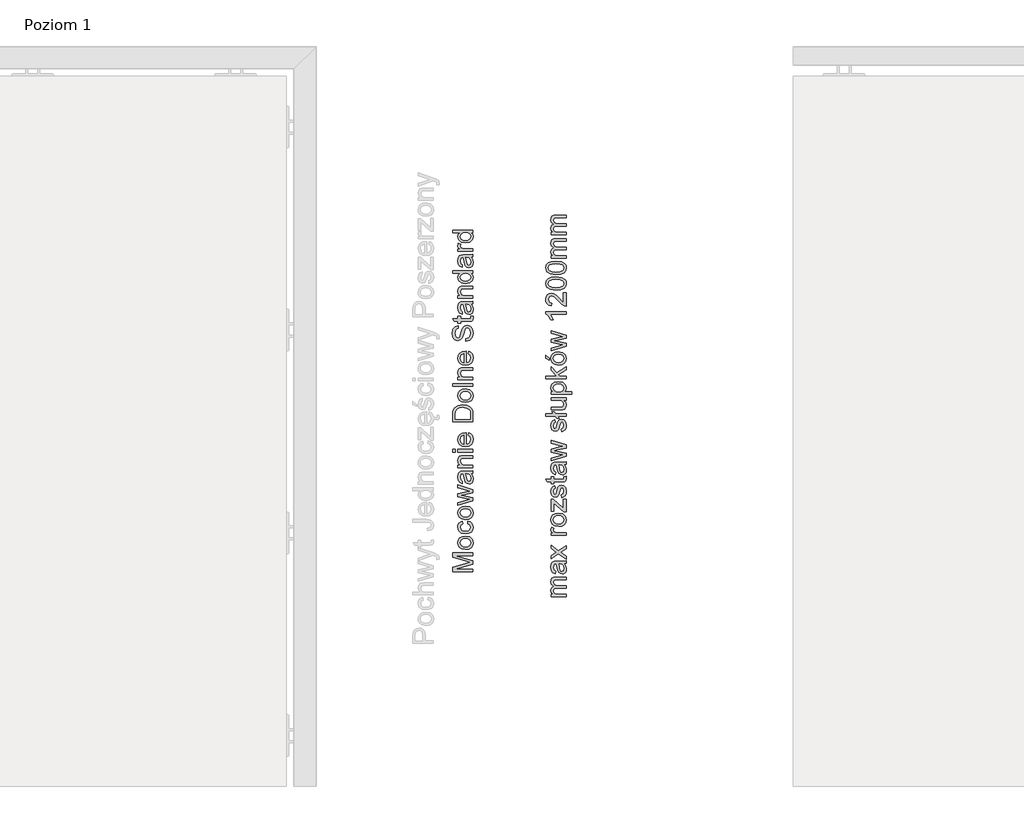
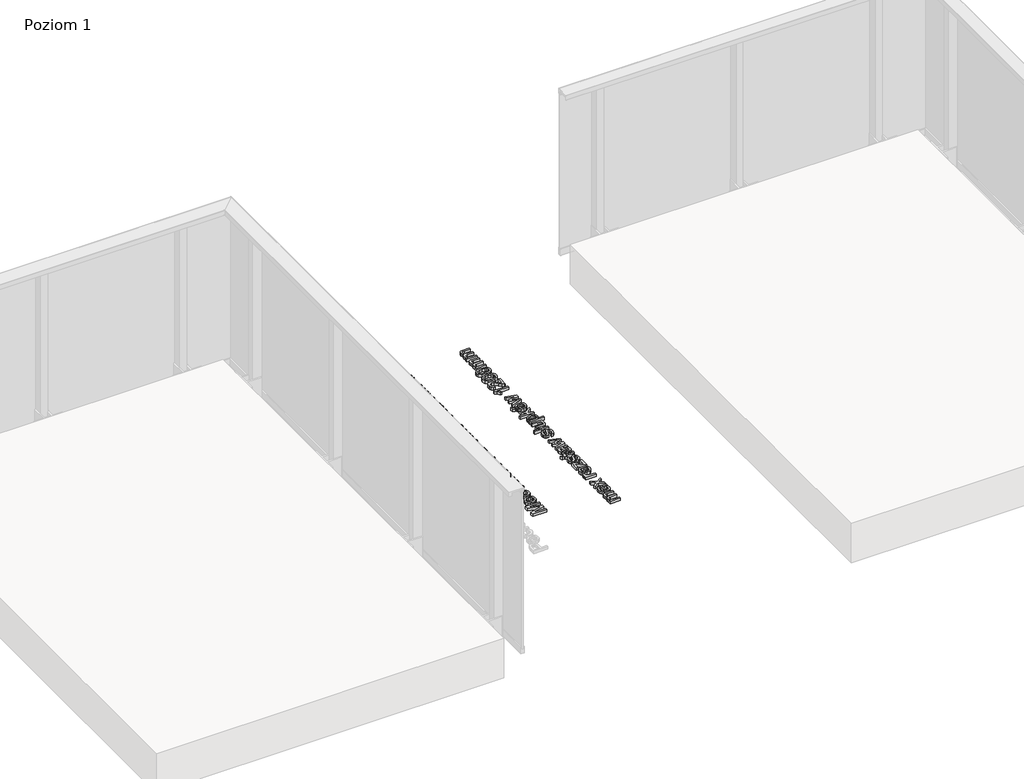
# One storey, part 30 of 35: 2 proxies.
"""IFC4 building model written with IfcOpenShell, lengths in millimetres."""

import ifcopenshell
import ifcopenshell.guid

model = None  # the IFC model being written
_history = None  # IfcOwnerHistory: only IFC2X3 demands one
_inside = {}  # id of a spatial element -> (the spatial element, [elements in it])
_under = {}  # id of a project, library or spatial element -> (it, [spatial elements below it])
_declared = {}  # id of a project -> (the project, [libraries it declares])
_typed = {}  # id of a type object -> (the type object, [elements of that type])
_made_of = {}  # id of a material, layer set ... -> (it, [elements and type objects made of it])


def new_model(schema):
    """Start an empty IFC model of exactly this schema.

    Asked for "IFC4X3", IfcOpenShell would pick the latest addendum, in which some entities
    have other attributes; the version numbers below select the first issue.
    IFC2X3 requires an IfcOwnerHistory on every rooted entity: one is made here for all.
    """
    global model, _history
    if schema == "IFC4X3":
        model = ifcopenshell.file(schema_version=(4, 3, 0, 0))
    else:
        model = ifcopenshell.file(schema=schema)
    _inside.clear()
    _under.clear()
    _declared.clear()
    _typed.clear()
    _made_of.clear()
    _history = None
    if model.schema == "IFC2X3":
        org = make("IfcOrganization", Name="unknown")
        user = make(
            "IfcPersonAndOrganization",
            ThePerson=make("IfcPerson", FamilyName="unknown"),
            TheOrganization=org,
        )
        app = make(
            "IfcApplication",
            ApplicationDeveloper=org,
            Version="unknown",
            ApplicationFullName="unknown",
            ApplicationIdentifier="unknown",
        )
        _history = make(
            "IfcOwnerHistory",
            OwningUser=user,
            OwningApplication=app,
            ChangeAction="ADDED",
            CreationDate=0,
        )
    return model


def make(cls, **values):
    """One entity of the class cls with the attributes given. An attribute that is None is left unset."""
    return model.create_entity(
        cls, **{name: value for name, value in values.items() if value is not None}
    )


def rooted(cls, **values):
    """An entity with a GlobalId (a new one), such as an element, a storey or a relation."""
    return make(cls, GlobalId=ifcopenshell.guid.new(), OwnerHistory=_history, **values)


def si_unit(unit_type, name, prefix=None):
    """IfcSIUnit, for example si_unit("LENGTHUNIT", "METRE", prefix="MILLI")."""
    return make("IfcSIUnit", UnitType=unit_type, Prefix=prefix, Name=name)


def assignment(units):
    """IfcUnitAssignment: the units of a project."""
    return None if units is None else make("IfcUnitAssignment", Units=units)


def point(xyz):
    """IfcCartesianPoint."""
    return None if xyz is None else make("IfcCartesianPoint", Coordinates=xyz)


def direction(xyz):
    """IfcDirection."""
    return None if xyz is None else make("IfcDirection", DirectionRatios=xyz)


def frame(location, z_axis=None, x_axis=None):
    """IfcAxis2Placement3D, a coordinate frame: its origin and axes. An axis left out is left unset."""
    return make(
        "IfcAxis2Placement3D",
        Location=point(location),
        Axis=direction(z_axis),
        RefDirection=direction(x_axis),
    )


def origin():
    """The frame at (0, 0, 0) with its axes left unset."""
    return frame((0.0, 0.0, 0.0))


def origin_with_axes():
    """The frame at (0, 0, 0) with the z axis (0, 0, 1) and the x axis (1, 0, 0) written out."""
    return frame((0.0, 0.0, 0.0), z_axis=(0.0, 0.0, 1.0), x_axis=(1.0, 0.0, 0.0))


def place(relative_to, where):
    """IfcLocalPlacement: puts the frame where relative to a parent placement (None: the world)."""
    return make(
        "IfcLocalPlacement", PlacementRelTo=relative_to, RelativePlacement=where
    )


def context(
    kind, dimensions, precision=None, world=None, true_north=None, identifier=None
):
    """IfcGeometricRepresentationContext, for example the 3D "Model" context."""
    return make(
        "IfcGeometricRepresentationContext",
        ContextIdentifier=identifier,
        ContextType=kind,
        CoordinateSpaceDimension=dimensions,
        Precision=precision,
        WorldCoordinateSystem=world,
        TrueNorth=true_north,
    )


def project(units=None, contexts=None):
    """IfcProject with its units and contexts."""
    return rooted(
        "IfcProject",
        Name="project",
        RepresentationContexts=contexts,
        UnitsInContext=assignment(units),
    )


def spatial(cls, under=None, at=None, **own):
    """A site, building, storey or space (cls), placed at a placement, below another one or the project."""
    s = rooted(cls, ObjectPlacement=at, **own)
    if under is not None:
        _under.setdefault(under.id(), (under, []))[1].append(s)
    return s


def polyline(points):
    """IfcPolyline through the points."""
    return make("IfcPolyline", Points=[point(p) for p in points])


def outline(outer, holes=None, kind="AREA"):
    """IfcArbitraryClosedProfileDef: a profile drawn as a closed curve; with holes, ...WithVoids."""
    if holes is None:
        return make("IfcArbitraryClosedProfileDef", ProfileType=kind, OuterCurve=outer)
    return make(
        "IfcArbitraryProfileDefWithVoids",
        ProfileType=kind,
        OuterCurve=outer,
        InnerCurves=holes,
    )


def extrude(swept, where, along, depth):
    """IfcExtrudedAreaSolid: the profile swept, set in the frame where, extruded along a direction by depth."""
    return make(
        "IfcExtrudedAreaSolid",
        SweptArea=swept,
        Position=where,
        ExtrudedDirection=direction(along),
        Depth=depth,
    )


def shape(context_of_items, identifier, shape_type, items):
    """IfcShapeRepresentation: the items that make up one representation, for example the "Body"."""
    return make(
        "IfcShapeRepresentation",
        ContextOfItems=context_of_items,
        RepresentationIdentifier=identifier,
        RepresentationType=shape_type,
        Items=items,
    )


def made_of(thing, what):
    """Note that an element or type object is made of a material, layer set ...; save() writes the relation."""
    if what is not None:
        _made_of.setdefault(what.id(), (what, []))[1].append(thing)
    return thing


def element(
    cls,
    number,
    at=None,
    inside=None,
    cuts=None,
    type_object=None,
    material=None,
    context=None,
    identifier="Body",
    shape_type=None,
    held_by="IfcProductDefinitionShape",
    body=None,
    shapes=None,
    **own,
):
    """One element of the class cls, such as IfcWall. Its Tag is "e" and its number.

    at: its placement. inside: the storey or other place that contains it. cuts: it is an
    opening in that element (IfcRelVoidsElement). A single representation is given by context,
    identifier, shape_type and body (its items); several are given by shapes. held_by: the class
    of the entity that holds the representations. save() writes the other relations.
    """
    e = rooted(cls, Tag="e%d" % number, ObjectPlacement=at, **own)
    if body is not None:
        shapes = [shape(context, identifier, shape_type, body)]
    if shapes is not None:
        e.Representation = make(held_by, Representations=shapes)
    if inside is not None:
        _inside.setdefault(inside.id(), (inside, []))[1].append(e)
    if cuts is not None:
        rooted(
            "IfcRelVoidsElement", RelatingBuildingElement=cuts, RelatedOpeningElement=e
        )
    if type_object is not None:
        _typed.setdefault(type_object.id(), (type_object, []))[1].append(e)
    return made_of(e, material)


def aggregate(whole, parts):
    """IfcRelAggregates: a whole, such as a stair, and the parts it consists of."""
    return rooted("IfcRelAggregates", RelatingObject=whole, RelatedObjects=parts)


def save(model, path):
    """Write the relations noted so far, then the file.

    IfcRelAggregates (storeys below a building ...), IfcRelContainedInSpatialStructure (elements
    in a storey), IfcRelDefinesByType, IfcRelAssociatesMaterial and IfcRelDeclares: one each for
    every whole, place, type object, material and project.
    """
    for whole, parts in _under.values():
        aggregate(whole, parts)
    for where, things in _inside.values():
        rooted(
            "IfcRelContainedInSpatialStructure",
            RelatedElements=things,
            RelatingStructure=where,
        )
    for kind, things in _typed.values():
        rooted("IfcRelDefinesByType", RelatedObjects=things, RelatingType=kind)
    for what, things in _made_of.values():
        rooted("IfcRelAssociatesMaterial", RelatedObjects=things, RelatingMaterial=what)
    for by, libraries in _declared.values():
        rooted("IfcRelDeclares", RelatingContext=by, RelatedDefinitions=libraries)
    model.write(path)


model = new_model("IFC4")

# Units and contexts
model_context = context("Model", 3, world=origin())
ifc_project = project(units=[si_unit("LENGTHUNIT", "METRE", prefix="MILLI")], contexts=[model_context])

# Site, building, storey
site = spatial("IfcSite", under=ifc_project)
building = spatial("IfcBuilding", under=site)
storey = spatial("IfcBuildingStorey", under=building, Name="Poziom 1", Elevation=0.0)

# Proxies
placement = place(None, origin())
element("IfcBuildingElementProxy", 1, Name="Generic Models", at=placement, inside=storey, context=model_context, shape_type="SweptSolid", body=[
    extrude(outline(polyline([(5311.0111089, 1428.6091584), (5210.5547987, 1428.6091584), (5210.5547987, 1450.2160943), (5281.3598201, 1470.7684351), (5296.1486763, 1474.9132389), (5280.1335468, 1479.4013992), (5210.5547987, 1499.6103835), (5210.5547987, 1521.2173194), (5311.0111089, 1521.2173194), (5311.0111089, 1508.6602806), (5223.1118375, 1508.6602806), (5311.0111089, 1483.4235757), (5311.0111089, 1466.4029021), (5223.1118375, 1441.1661972), (5311.0111089, 1441.1661972), (5311.0111089, 1428.6091584)])), origin_with_axes(), (0.0, 0.0, 1.0), 20.0),
    extrude(outline(polyline([(5274.1248075, 1538.4832477), (5256.337713, 1541.1994431), (5243.8358566, 1549.3480293), (5237.7106214, 1559.4157332), (5235.6688763, 1571.4699999), (5238.1551454, 1584.6616351), (5245.6139529, 1595.1983886), (5257.4566874, 1602.1053731), (5273.0947379, 1604.4077012), (5295.4374378, 1600.3364738), (5308.0803157, 1588.4784108), (5312.5807387, 1571.4699999), (5310.1036666, 1558.1189492), (5302.6724503, 1547.5944584), (5290.5813954, 1540.7610504), (5274.1248075, 1538.4832477)]), holes=[polyline([(5274.100282, 1551.0402864), (5285.46477, 1552.4934203), (5293.5612396, 1556.852822), (5298.4080849, 1563.4133842), (5300.0237, 1571.4699999), (5298.3988878, 1579.4898274), (5293.5244514, 1586.0381269), (5285.3206829, 1590.3975286), (5273.7078746, 1591.8506624), (5262.6744804, 1590.3883315), (5254.6883754, 1586.0013387), (5249.8415301, 1579.4438422), (5248.225915, 1571.4699999), (5249.8353988, 1563.4133842), (5254.66385, 1556.852822), (5262.7419254, 1552.4934203), (5274.100282, 1551.0402864)])]), origin_with_axes(), (0.0, 0.0, 1.0), 20.0),
    extrude(outline(polyline([(5284.3274015, 1665.6232652), (5285.8970314, 1678.180304), (5297.0653156, 1674.6792937), (5305.5051417, 1668.1003373), (5310.8118395, 1659.062703), (5312.5807387, 1648.1856586), (5310.1128637, 1634.8284765), (5302.7092385, 1624.3836935), (5290.6948257, 1617.642256), (5274.3945876, 1615.3951101), (5253.5356785, 1619.2333456), (5240.1325112, 1630.9319931), (5235.6688763, 1648.0139804), (5237.2017179, 1658.6243102), (5241.8002429, 1667.1070559), (5249.2191964, 1673.1924373), (5259.213324, 1676.6106741), (5260.7829538, 1664.0536354), (5251.3774375, 1658.2288371), (5248.225915, 1648.1120822), (5249.7771508, 1639.9972186), (5254.430858, 1633.556218), (5262.4384228, 1629.3531662), (5274.0512311, 1627.9521489), (5285.8203893, 1629.3225093), (5293.8555452, 1633.4335906), (5298.4816613, 1639.7580953), (5300.0237, 1647.7687257), (5296.1732018, 1659.6022632), (5284.3274015, 1665.6232652)])), origin_with_axes(), (0.0, 0.0, 1.0), 20.0),
    extrude(outline(polyline([(5274.1248075, 1686.0284532), (5256.337713, 1688.7446486), (5243.8358566, 1696.8932348), (5237.7106214, 1706.9609387), (5235.6688763, 1719.0152054), (5238.1551454, 1732.2068406), (5245.6139529, 1742.7435941), (5257.4566874, 1749.6505786), (5273.0947379, 1751.9529067), (5295.4374378, 1747.8816793), (5308.0803157, 1736.0236163), (5312.5807387, 1719.0152054), (5310.1036666, 1705.6641547), (5302.6724503, 1695.139664), (5290.5813954, 1688.3062559), (5274.1248075, 1686.0284532)]), holes=[polyline([(5274.100282, 1698.585492), (5285.46477, 1700.0386259), (5293.5612396, 1704.3980275), (5298.4080849, 1710.9585897), (5300.0237, 1719.0152054), (5298.3988878, 1727.0350329), (5293.5244514, 1733.5833324), (5285.3206829, 1737.9427341), (5273.7078746, 1739.395868), (5262.6744804, 1737.933537), (5254.6883754, 1733.5465442), (5249.8415301, 1726.9890477), (5248.225915, 1719.0152054), (5249.8353988, 1710.9585897), (5254.66385, 1704.3980275), (5262.7419254, 1700.0386259), (5274.100282, 1698.585492)])]), origin_with_axes(), (0.0, 0.0, 1.0), 20.0),
    extrude(outline(polyline([(5311.0111089, 1778.3177831), (5237.2385061, 1755.8769814), (5237.2385061, 1768.9245295), (5280.2806996, 1781.6532465), (5295.658167, 1785.4546938), (5280.8447853, 1788.569428), (5237.2385061, 1798.6984456), (5237.2385061, 1813.6589801), (5280.722158, 1823.7389467), (5294.137588, 1826.5103244), (5279.986394, 1830.48345), (5237.2385061, 1843.2366925), (5237.2385061, 1856.3332915), (5311.0111089, 1833.7208115), (5311.0111089, 1818.5395479), (5267.7481863, 1808.9010396), (5254.2591798, 1806.1051364), (5311.0111089, 1793.670725), (5311.0111089, 1778.3177831)])), origin_with_axes(), (0.0, 0.0, 1.0), 20.0),
    extrude(outline(polyline([(5301.5933298, 1912.055151), (5310.1036666, 1899.878257), (5312.5807387, 1886.4260387), (5311.0908167, 1875.9322048), (5306.6210504, 1868.1913545), (5299.8336276, 1863.4180856), (5291.3907358, 1861.826996), (5281.4579219, 1864.2304917), (5274.2474348, 1870.5457993), (5270.1271565, 1879.3381789), (5268.2386956, 1890.2029605), (5263.9222135, 1911.9815746), (5261.1263103, 1912.055151), (5251.8556841, 1908.5970603), (5248.225915, 1894.7156463), (5250.6416735, 1882.0114548), (5259.213324, 1875.9536646), (5257.6436941, 1863.3966258), (5245.380961, 1868.8290166), (5238.1949993, 1879.7673746), (5235.6688763, 1896.3343271), (5237.9006937, 1911.552379), (5243.5047628, 1920.1485549), (5252.0273623, 1923.9990532), (5263.0147713, 1924.6121898), (5278.6374933, 1924.6121898), (5300.4528956, 1925.2498519), (5311.0111089, 1927.7514495), (5311.0111089, 1915.1944107), (5301.5933298, 1912.055151)]), holes=[polyline([(5276.4792523, 1912.055151), (5280.3297505, 1891.7971158), (5282.3653642, 1880.9936479), (5285.6763022, 1876.1008174), (5290.507819, 1874.3840347), (5297.3013732, 1878.1241684), (5300.0237, 1889.0993145), (5297.0193303, 1901.8035061), (5289.7475296, 1909.9950119), (5280.0354449, 1911.9815746), (5276.4792523, 1912.055151)])]), origin_with_axes(), (0.0, 0.0, 1.0), 20.0),
    extrude(outline(polyline([(5311.0111089, 1941.8781181), (5237.2385061, 1941.8781181), (5237.2385061, 1954.4351569), (5247.539202, 1954.4351569), (5238.6364577, 1964.036877), (5235.6688763, 1977.1457387), (5238.0601092, 1989.0038017), (5244.3386286, 1997.0972056), (5253.5724667, 2000.8618647), (5265.7125726, 2001.5240523), (5311.0111089, 2001.5240523), (5311.0111089, 1988.9670135), (5267.4048297, 1988.9670135), (5256.2947935, 1987.520011), (5250.4209443, 1982.4064513), (5248.225915, 1973.7857498), (5253.1555338, 1960.1618533), (5260.2985759, 1955.866831), (5271.8684646, 1954.4351569), (5311.0111089, 1954.4351569), (5311.0111089, 1941.8781181)])), origin_with_axes(), (0.0, 0.0, 1.0), 20.0),
    extrude(outline(polyline([(5223.1118375, 2018.7899806), (5210.5547987, 2018.7899806), (5210.5547987, 2031.3470193), (5223.1118375, 2031.3470193), (5223.1118375, 2018.7899806)])), origin_with_axes(), (0.0, 0.0, 1.0), 20.0),
    extrude(outline(polyline([(5311.0111089, 2018.7899806), (5237.2385061, 2018.7899806), (5237.2385061, 2031.3470193), (5311.0111089, 2031.3470193), (5311.0111089, 2018.7899806)])), origin_with_axes(), (0.0, 0.0, 1.0), 20.0),
    extrude(outline(polyline([(5289.036291, 2101.8332096), (5290.6059209, 2114.1449937), (5299.8826785, 2109.70895), (5306.8172541, 2102.6302873), (5311.1398676, 2093.0684211), (5312.5807387, 2081.182767), (5310.0944696, 2066.4490931), (5302.6356621, 2055.1121962), (5290.6886943, 2047.883315), (5274.7379442, 2045.473688), (5258.2506994, 2047.9078405), (5245.9205212, 2055.2102981), (5238.2317875, 2066.3939108), (5235.6688763, 2080.4715284), (5238.2256561, 2094.1107534), (5245.8959957, 2105.0092575), (5258.2016485, 2112.1553653), (5274.6643678, 2114.5374012), (5278.0488821, 2114.4638248), (5278.0488821, 2058.0307267), (5287.4482671, 2060.2042962), (5294.3583172, 2065.2534766), (5298.6073543, 2072.5406058), (5300.0237, 2081.4280216), (5297.3994751, 2093.7398057), (5289.036291, 2101.8332096)]), holes=[polyline([(5265.4918434, 2058.0307267), (5265.4918434, 2101.9803624), (5254.112027, 2096.9526418), (5249.697443, 2089.6317901), (5248.225915, 2080.4224775), (5252.9225419, 2064.959171), (5258.4131806, 2060.0939316), (5265.4918434, 2058.0307267)])]), origin_with_axes(), (0.0, 0.0, 1.0), 20.0),
    extrude(outline(polyline([(5311.0111089, 2167.904816), (5210.5547987, 2167.904816), (5210.5547987, 2202.5592999), (5212.0018013, 2220.4874158), (5219.1877629, 2235.2517465), (5236.3555893, 2247.1465977), (5260.2433936, 2251.0951978), (5280.5136915, 2248.421922), (5295.1431322, 2241.5547914), (5304.2543429, 2232.382267), (5309.2943262, 2220.3770512), (5311.0111089, 2204.2270316), (5311.0111089, 2167.904816)]), holes=[polyline([(5298.4540701, 2180.4618547), (5298.4540701, 2202.6819272), (5296.6391856, 2218.8442096), (5291.5133631, 2228.1638868), (5279.0421635, 2235.8035695), (5260.0471898, 2238.538159), (5246.3619796, 2237.1984554), (5236.2574875, 2233.1793446), (5225.1229257, 2220.1440593), (5223.1118375, 2202.3385707), (5223.1118375, 2180.4618547), (5298.4540701, 2180.4618547)])]), origin_with_axes(), (0.0, 0.0, 1.0), 20.0),
    extrude(outline(polyline([(5274.1248075, 2263.6522366), (5256.337713, 2266.368432), (5243.8358566, 2274.5170182), (5237.7106214, 2284.5847221), (5235.6688763, 2296.6389888), (5238.1551454, 2309.830624), (5245.6139529, 2320.3673775), (5257.4566874, 2327.2743619), (5273.0947379, 2329.5766901), (5295.4374378, 2325.5054627), (5308.0803157, 2313.6473997), (5312.5807387, 2296.6389888), (5310.1036666, 2283.2879381), (5302.6724503, 2272.7634473), (5290.5813954, 2265.9300393), (5274.1248075, 2263.6522366)]), holes=[polyline([(5274.100282, 2276.2092753), (5285.46477, 2277.6624092), (5293.5612396, 2282.0218109), (5298.4080849, 2288.5823731), (5300.0237, 2296.6389888), (5298.3988878, 2304.6588163), (5293.5244514, 2311.2071158), (5285.3206829, 2315.5665175), (5273.7078746, 2317.0196513), (5262.6744804, 2315.5573204), (5254.6883754, 2311.1703276), (5249.8415301, 2304.612831), (5248.225915, 2296.6389888), (5249.8353988, 2288.5823731), (5254.66385, 2282.0218109), (5262.7419254, 2277.6624092), (5274.100282, 2276.2092753)])]), origin_with_axes(), (0.0, 0.0, 1.0), 20.0),
    extrude(outline(polyline([(5311.0111089, 2343.7033587), (5210.5547987, 2343.7033587), (5210.5547987, 2356.2603975), (5311.0111089, 2356.2603975), (5311.0111089, 2343.7033587)])), origin_with_axes(), (0.0, 0.0, 1.0), 20.0),
    extrude(outline(polyline([(5311.0111089, 2375.0959556), (5237.2385061, 2375.0959556), (5237.2385061, 2387.6529944), (5247.539202, 2387.6529944), (5238.6364577, 2397.2547145), (5235.6688763, 2410.3635762), (5238.0601092, 2422.2216392), (5244.3386286, 2430.3150431), (5253.5724667, 2434.0797022), (5265.7125726, 2434.7418898), (5311.0111089, 2434.7418898), (5311.0111089, 2422.184851), (5267.4048297, 2422.184851), (5256.2947935, 2420.7378485), (5250.4209443, 2415.6242888), (5248.225915, 2407.0035874), (5253.1555338, 2393.3796908), (5260.2985759, 2389.0846685), (5271.8684646, 2387.6529944), (5311.0111089, 2387.6529944), (5311.0111089, 2375.0959556)])), origin_with_axes(), (0.0, 0.0, 1.0), 20.0),
    extrude(outline(polyline([(5289.036291, 2503.6584502), (5290.6059209, 2515.9702343), (5299.8826785, 2511.5341906), (5306.8172541, 2504.4555279), (5311.1398676, 2494.8936617), (5312.5807387, 2483.0080076), (5310.0944696, 2468.2743336), (5302.6356621, 2456.9374368), (5290.6886943, 2449.7085556), (5274.7379442, 2447.2989286), (5258.2506994, 2449.7330811), (5245.9205212, 2457.0355387), (5238.2317875, 2468.2191513), (5235.6688763, 2482.296769), (5238.2256561, 2495.935994), (5245.8959957, 2506.8344981), (5258.2016485, 2513.9806059), (5274.6643678, 2516.3626418), (5278.0488821, 2516.2890654), (5278.0488821, 2459.8559673), (5287.4482671, 2462.0295368), (5294.3583172, 2467.0787172), (5298.6073543, 2474.3658464), (5300.0237, 2483.2532622), (5297.3994751, 2495.5650463), (5289.036291, 2503.6584502)]), holes=[polyline([(5265.4918434, 2459.8559673), (5265.4918434, 2503.805603), (5254.112027, 2498.7778824), (5249.697443, 2491.4570307), (5248.225915, 2482.2477181), (5252.9225419, 2466.7844116), (5258.4131806, 2461.9191722), (5265.4918434, 2459.8559673)])]), origin_with_axes(), (0.0, 0.0, 1.0), 20.0),
    extrude(outline(polyline([(5276.4792523, 2565.021167), (5276.4792523, 2577.5782058), (5289.0485538, 2581.6249077), (5296.9948049, 2591.5086707), (5300.0237, 2606.567307), (5297.7305689, 2619.6884315), (5291.427524, 2628.1619801), (5283.0030263, 2630.9456205), (5275.1671398, 2628.8609559), (5269.4649689, 2620.3260936), (5264.6702402, 2602.0423585), (5258.47756, 2582.3606717), (5249.1333573, 2571.6798311), (5236.6498949, 2568.1604267), (5222.4373872, 2572.513697), (5212.4064714, 2585.2301513), (5208.9851689, 2603.8449802), (5212.565887, 2623.710608), (5223.087312, 2636.9543598), (5238.808136, 2641.9330295), (5238.808136, 2629.3759907), (5231.315606, 2627.0705969), (5225.9077407, 2622.2636055), (5221.5422077, 2604.3354896), (5225.8586897, 2586.3583227), (5236.2820129, 2580.7174655), (5244.9885535, 2584.7151165), (5252.0028369, 2605.2184064), (5258.3058817, 2627.4384789), (5268.4839502, 2639.5908474), (5282.6841953, 2643.5026593), (5297.7060434, 2639.0022362), (5308.6689269, 2626.05279), (5312.5807387, 2607.0578163), (5308.3623585, 2584.6292774), (5295.658167, 2570.4412951), (5276.4792523, 2565.021167)])), origin_with_axes(), (0.0, 0.0, 1.0), 20.0),
    extrude(outline(polyline([(5300.5387348, 2687.452295), (5311.3789909, 2689.0219249), (5312.5807387, 2679.6286712), (5310.4960741, 2669.1072462), (5305.0268951, 2663.8587964), (5290.7775992, 2662.3382175), (5249.7955449, 2662.3382175), (5249.7955449, 2652.9204384), (5237.2385061, 2652.9204384), (5237.2385061, 2662.3382175), (5219.3103902, 2662.3382175), (5211.9282249, 2674.8952562), (5237.2385061, 2674.8952562), (5237.2385061, 2687.452295), (5249.7955449, 2687.452295), (5249.7955449, 2674.8952562), (5290.4097172, 2674.8952562), (5296.8844403, 2675.5574438), (5299.1775714, 2677.7034221), (5300.0237, 2681.983116), (5300.5387348, 2687.452295)])), origin_with_axes(), (0.0, 0.0, 1.0), 20.0),
    extrude(outline(polyline([(5301.5933298, 2747.0982292), (5310.1036666, 2734.9213351), (5312.5807387, 2721.4691168), (5311.0908167, 2710.9752829), (5306.6210504, 2703.2344326), (5299.8336276, 2698.4611637), (5291.3907358, 2696.8700741), (5281.4579219, 2699.2735698), (5274.2474348, 2705.5888774), (5270.1271565, 2714.3812571), (5268.2386956, 2725.2460386), (5263.9222135, 2747.0246528), (5261.1263103, 2747.0982292), (5251.8556841, 2743.6401384), (5248.225915, 2729.7587245), (5250.6416735, 2717.0545329), (5259.213324, 2710.9967427), (5257.6436941, 2698.4397039), (5245.380961, 2703.8720947), (5238.1949993, 2714.8104527), (5235.6688763, 2731.3774052), (5237.9006937, 2746.5954571), (5243.5047628, 2755.1916331), (5252.0273623, 2759.0421313), (5263.0147713, 2759.6552679), (5278.6374933, 2759.6552679), (5300.4528956, 2760.2929301), (5311.0111089, 2762.7945276), (5311.0111089, 2750.2374889), (5301.5933298, 2747.0982292)]), holes=[polyline([(5276.4792523, 2747.0982292), (5280.3297505, 2726.840194), (5282.3653642, 2716.036726), (5285.6763022, 2711.1438955), (5290.507819, 2709.4271129), (5297.3013732, 2713.1672465), (5300.0237, 2724.1423927), (5297.0193303, 2736.8465842), (5289.7475296, 2745.03809), (5280.0354449, 2747.0246528), (5276.4792523, 2747.0982292)])]), origin_with_axes(), (0.0, 0.0, 1.0), 20.0),
    extrude(outline(polyline([(5311.0111089, 2776.9211962), (5237.2385061, 2776.9211962), (5237.2385061, 2789.478235), (5247.539202, 2789.478235), (5238.6364577, 2799.0799551), (5235.6688763, 2812.1888168), (5238.0601092, 2824.0468798), (5244.3386286, 2832.1402837), (5253.5724667, 2835.9049428), (5265.7125726, 2836.5671304), (5311.0111089, 2836.5671304), (5311.0111089, 2824.0100916), (5267.4048297, 2824.0100916), (5256.2947935, 2822.5630891), (5250.4209443, 2817.4495294), (5248.225915, 2808.828828), (5253.1555338, 2795.2049314), (5260.2985759, 2790.9099091), (5271.8684646, 2789.478235), (5311.0111089, 2789.478235), (5311.0111089, 2776.9211962)])), origin_with_axes(), (0.0, 0.0, 1.0), 20.0),
    extrude(outline(polyline([(5311.0111089, 2899.3523242), (5299.1653086, 2899.3523242), (5309.2268812, 2891.0443225), (5312.5807387, 2879.5602729), (5307.7246964, 2864.0111272), (5294.1743762, 2853.0237183), (5274.1983839, 2849.1241692), (5254.2101288, 2852.71715), (5240.4513422, 2863.4838297), (5235.6688763, 2879.511222), (5239.0901788, 2891.0872421), (5247.9806604, 2899.3523242), (5210.5547987, 2899.3523242), (5210.5547987, 2911.909363), (5311.0111089, 2911.909363), (5311.0111089, 2899.3523242)]), holes=[polyline([(5274.149333, 2861.6812079), (5285.5076896, 2863.0975536), (5293.5857651, 2867.3465906), (5298.4142162, 2873.5208768), (5300.0237, 2880.7129698), (5298.4877926, 2887.9019971), (5293.8800706, 2893.9199334), (5286.1146949, 2897.9942265), (5275.1058262, 2899.3523242), (5263.0699536, 2897.9697011), (5254.7251636, 2893.8218316), (5249.8507272, 2887.6506111), (5248.225915, 2880.197935), (5249.7863478, 2872.9322656), (5254.4676462, 2866.9787087), (5262.5089335, 2863.0055831), (5274.149333, 2861.6812079)])]), origin_with_axes(), (0.0, 0.0, 1.0), 20.0),
    extrude(outline(polyline([(5301.5933298, 2977.8338165), (5310.1036666, 2965.6569225), (5312.5807387, 2952.2047042), (5311.0908167, 2941.7108703), (5306.6210504, 2933.97002), (5299.8336276, 2929.1967511), (5291.3907358, 2927.6056615), (5281.4579219, 2930.0091572), (5274.2474348, 2936.3244647), (5270.1271565, 2945.1168444), (5268.2386956, 2955.981626), (5263.9222135, 2977.7602401), (5261.1263103, 2977.8338165), (5251.8556841, 2974.3757258), (5248.225915, 2960.4943118), (5250.6416735, 2947.7901203), (5259.213324, 2941.7323301), (5257.6436941, 2929.1752913), (5245.380961, 2934.6076821), (5238.1949993, 2945.5460401), (5235.6688763, 2962.1129926), (5237.9006937, 2977.3310445), (5243.5047628, 2985.9272204), (5252.0273623, 2989.7777186), (5263.0147713, 2990.3908553), (5278.6374933, 2990.3908553), (5300.4528956, 2991.0285174), (5311.0111089, 2993.530115), (5311.0111089, 2980.9730762), (5301.5933298, 2977.8338165)]), holes=[polyline([(5276.4792523, 2977.8338165), (5280.3297505, 2957.5757813), (5282.3653642, 2946.7723134), (5285.6763022, 2941.8794829), (5290.507819, 2940.1627002), (5297.3013732, 2943.9028338), (5300.0237, 2954.87798), (5297.0193303, 2967.5821716), (5289.7475296, 2975.7736774), (5280.0354449, 2977.7602401), (5276.4792523, 2977.8338165)])]), origin_with_axes(), (0.0, 0.0, 1.0), 20.0),
    extrude(outline(polyline([(5311.0111089, 3007.6567836), (5237.2385061, 3007.6567836), (5237.2385061, 3018.6441925), (5248.1523386, 3018.6441925), (5238.0968974, 3026.4432908), (5235.6688763, 3034.2914401), (5239.5439, 3046.8975298), (5250.801089, 3042.703675), (5248.225915, 3033.8745071), (5250.7029871, 3026.7743846), (5257.5701177, 3022.2494361), (5272.2363466, 3020.2138224), (5311.0111089, 3020.2138224), (5311.0111089, 3007.6567836)])), origin_with_axes(), (0.0, 0.0, 1.0), 20.0),
    extrude(outline(polyline([(5311.0111089, 3100.2649445), (5299.1653086, 3100.2649445), (5309.2268812, 3091.9569428), (5312.5807387, 3080.4728932), (5307.7246964, 3064.9237475), (5294.1743762, 3053.9363386), (5274.1983839, 3050.0367895), (5254.2101288, 3053.6297703), (5240.4513422, 3064.39645), (5235.6688763, 3080.4238423), (5239.0901788, 3091.9998624), (5247.9806604, 3100.2649445), (5210.5547987, 3100.2649445), (5210.5547987, 3112.8219833), (5311.0111089, 3112.8219833), (5311.0111089, 3100.2649445)]), holes=[polyline([(5274.149333, 3062.5938282), (5285.5076896, 3064.0101739), (5293.5857651, 3068.2592109), (5298.4142162, 3074.4334971), (5300.0237, 3081.6255901), (5298.4877926, 3088.8146174), (5293.8800706, 3094.8325537), (5286.1146949, 3098.9068468), (5275.1058262, 3100.2649445), (5263.0699536, 3098.8823214), (5254.7251636, 3094.7344519), (5249.8507272, 3088.5632314), (5248.225915, 3081.1105553), (5249.7863478, 3073.8448859), (5254.4676462, 3067.891329), (5262.5089335, 3063.9182034), (5274.149333, 3062.5938282)])]), origin_with_axes(), (0.0, 0.0, 1.0), 20.0),
])
element("IfcBuildingElementProxy", 2, Name="Generic Models", at=placement, inside=storey, context=model_context, shape_type="SweptSolid", body=[
    extrude(outline(polyline([(5769.7173752, 1304.9023417), (5695.9447724, 1304.9023417), (5695.9447724, 1317.4593804), (5708.0848783, 1317.4593804), (5698.1398017, 1326.0923446), (5694.3751426, 1338.3796032), (5698.2133781, 1350.9611675), (5708.9677951, 1357.877349), (5698.0233057, 1367.6752728), (5694.3751426, 1380.0483706), (5695.8926558, 1389.4876094), (5700.4451955, 1396.4681703), (5708.155389, 1400.7815867), (5719.1458636, 1402.2193921), (5769.7173752, 1402.2193921), (5769.7173752, 1389.6623534), (5724.5414662, 1389.6623534), (5714.0568293, 1388.4973937), (5708.8942187, 1384.2790135), (5706.9321813, 1377.1053146), (5711.959902, 1364.7567423), (5718.5020701, 1361.0687253), (5728.0731333, 1359.8393863), (5769.7173752, 1359.8393863), (5769.7173752, 1347.2823475), (5723.1435146, 1347.2823475), (5710.9788833, 1344.3760798), (5706.9321813, 1334.8479361), (5709.6299826, 1325.5527843), (5717.5271828, 1319.3723668), (5732.5122427, 1317.4593804), (5769.7173752, 1317.4593804), (5769.7173752, 1304.9023417)])), origin_with_axes(), (0.0, 0.0, 1.0), 20.0),
    extrude(outline(polyline([(5760.2995961, 1468.1438457), (5768.8099329, 1455.9669516), (5771.287005, 1442.5147333), (5769.797083, 1432.0208994), (5765.3273167, 1424.2800491), (5758.5398939, 1419.5067802), (5750.0970021, 1417.9156906), (5740.1641882, 1420.3191863), (5732.9537011, 1426.6344939), (5728.8334228, 1435.4268736), (5726.9449619, 1446.2916552), (5722.6284798, 1468.0702693), (5719.8325766, 1468.1438457), (5710.5619504, 1464.6857549), (5706.9321813, 1450.804341), (5709.3479398, 1438.1001494), (5717.9195903, 1432.0423592), (5716.3499604, 1419.4853204), (5704.0872273, 1424.9177112), (5696.9012656, 1435.8560692), (5694.3751426, 1452.4230217), (5696.60696, 1467.6410736), (5702.2110291, 1476.2372496), (5710.7336286, 1480.0877478), (5721.7210376, 1480.7008844), (5737.3437596, 1480.7008844), (5759.1591619, 1481.3385466), (5769.7173752, 1483.8401441), (5769.7173752, 1471.2831054), (5760.2995961, 1468.1438457)]), holes=[polyline([(5735.1855186, 1468.1438457), (5739.0360168, 1447.8858105), (5741.0716305, 1437.0823425), (5744.3825685, 1432.189512), (5749.2140853, 1430.4727294), (5756.0076395, 1434.212863), (5758.7299663, 1445.1880092), (5755.7255966, 1457.8922007), (5748.4537959, 1466.0837065), (5738.7417112, 1468.0702693), (5735.1855186, 1468.1438457)])]), origin_with_axes(), (0.0, 0.0, 1.0), 20.0),
    extrude(outline(polyline([(5769.7173752, 1490.1186635), (5732.6348701, 1516.9495237), (5695.9447724, 1491.6882934), (5695.9447724, 1506.7959806), (5713.6031082, 1518.9851374), (5721.9417668, 1524.6750456), (5715.1236871, 1529.6046643), (5695.9447724, 1543.4860783), (5695.9447724, 1558.5937656), (5732.6348701, 1532.057211), (5769.7173752, 1557.6127469), (5769.7173752, 1542.5050596), (5747.4237263, 1527.1275922), (5743.3524989, 1524.3071636), (5769.7173752, 1505.2263508), (5769.7173752, 1490.1186635)])), origin_with_axes(), (0.0, 0.0, 1.0), 20.0),
    extrude(outline(polyline([(5769.7173752, 1607.840902), (5695.9447724, 1607.840902), (5695.9447724, 1618.8283109), (5706.858605, 1618.8283109), (5696.8031637, 1626.6274092), (5694.3751426, 1634.4755584), (5698.2501663, 1647.0816481), (5709.5073553, 1642.8877934), (5706.9321813, 1634.0586255), (5709.4092535, 1626.958503), (5716.276384, 1622.4335544), (5730.9426129, 1620.3979407), (5769.7173752, 1620.3979407), (5769.7173752, 1607.840902)])), origin_with_axes(), (0.0, 0.0, 1.0), 20.0),
    extrude(outline(polyline([(5732.8310738, 1651.7905377), (5715.0439793, 1654.5067331), (5702.5421229, 1662.6553193), (5696.4168877, 1672.7230232), (5694.3751426, 1684.7772899), (5696.8614117, 1697.9689251), (5704.3202192, 1708.5056786), (5716.1629537, 1715.412663), (5731.8010042, 1717.7149912), (5754.1437041, 1713.6437638), (5766.786582, 1701.7857008), (5771.287005, 1684.7772899), (5768.8099329, 1671.4262392), (5761.3787166, 1660.9017484), (5749.2876617, 1654.0683404), (5732.8310738, 1651.7905377)]), holes=[polyline([(5732.8065483, 1664.3475764), (5744.1710363, 1665.8007103), (5752.2675059, 1670.160112), (5757.1143512, 1676.7206742), (5758.7299663, 1684.7772899), (5757.1051541, 1692.7971174), (5752.2307177, 1699.3454169), (5744.0269492, 1703.7048185), (5732.4141409, 1705.1579524), (5721.3807467, 1703.6956215), (5713.3946417, 1699.3086287), (5708.5477964, 1692.7511321), (5706.9321813, 1684.7772899), (5708.5416651, 1676.7206742), (5713.3701163, 1670.160112), (5721.4481917, 1665.8007103), (5732.8065483, 1664.3475764)])]), origin_with_axes(), (0.0, 0.0, 1.0), 20.0),
    extrude(outline(polyline([(5769.7173752, 1723.9935106), (5757.8961004, 1723.9935106), (5708.5018112, 1767.3300096), (5708.5018112, 1754.5031907), (5708.5018112, 1727.1327703), (5695.9447724, 1727.1327703), (5695.9447724, 1785.2090746), (5706.6133503, 1785.2090746), (5750.4403586, 1746.7776688), (5757.1603364, 1740.8915569), (5757.1603364, 1755.410633), (5757.1603364, 1786.7787044), (5769.7173752, 1786.7787044), (5769.7173752, 1723.9935106)])), origin_with_axes(), (0.0, 0.0, 1.0), 20.0),
    extrude(outline(polyline([(5747.7425573, 1794.6268537), (5746.1729275, 1807.1838924), (5755.4926047, 1812.996428), (5758.7299663, 1826.3137562), (5755.7623848, 1839.1160496), (5748.7971524, 1843.2853789), (5743.1562951, 1839.0915241), (5739.5755771, 1826.1666034), (5733.4319477, 1807.2574688), (5726.2582488, 1799.0046494), (5716.1292312, 1796.1964835), (5706.7727658, 1798.4528264), (5699.6235924, 1804.6087185), (5695.9079842, 1812.5917578), (5694.3751426, 1823.3952257), (5696.8399519, 1838.6745912), (5703.5108788, 1848.3866759), (5714.7803306, 1852.703158), (5716.3499604, 1840.1461192), (5709.4215162, 1835.4249669), (5706.9321813, 1824.3762443), (5709.3111516, 1812.3587658), (5714.853907, 1808.7535223), (5718.5082015, 1810.2495757), (5721.2795792, 1814.9339398), (5723.952855, 1825.7496704), (5729.8634924, 1844.1805584), (5736.5589447, 1852.7399462), (5747.4727772, 1855.8424177), (5759.4902557, 1852.2003859), (5768.209059, 1841.6912236), (5771.287005, 1826.1420779), (5769.8032143, 1813.4808059), (5765.3518422, 1804.2408365), (5757.9819395, 1798.0726817), (5747.7425573, 1794.6268537)])), origin_with_axes(), (0.0, 0.0, 1.0), 20.0),
    extrude(outline(polyline([(5759.2450011, 1896.6527937), (5770.0852572, 1898.2224235), (5771.287005, 1888.8291699), (5769.2023404, 1878.3077448), (5763.7331614, 1873.059295), (5749.4838655, 1871.5387161), (5708.5018112, 1871.5387161), (5708.5018112, 1862.120937), (5695.9447724, 1862.120937), (5695.9447724, 1871.5387161), (5678.0166565, 1871.5387161), (5670.6344912, 1884.0957549), (5695.9447724, 1884.0957549), (5695.9447724, 1896.6527937), (5708.5018112, 1896.6527937), (5708.5018112, 1884.0957549), (5749.1159835, 1884.0957549), (5755.5907066, 1884.7579425), (5757.8838377, 1886.9039208), (5758.7299663, 1891.1836147), (5759.2450011, 1896.6527937)])), origin_with_axes(), (0.0, 0.0, 1.0), 20.0),
    extrude(outline(polyline([(5760.2995961, 1956.2987278), (5768.8099329, 1944.1218338), (5771.287005, 1930.6696155), (5769.797083, 1920.1757816), (5765.3273167, 1912.4349312), (5758.5398939, 1907.6616624), (5750.0970021, 1906.0705727), (5740.1641882, 1908.4740684), (5732.9537011, 1914.789376), (5728.8334228, 1923.5817557), (5726.9449619, 1934.4465373), (5722.6284798, 1956.2251514), (5719.8325766, 1956.2987278), (5710.5619504, 1952.8406371), (5706.9321813, 1938.9592231), (5709.3479398, 1926.2550315), (5717.9195903, 1920.1972413), (5716.3499604, 1907.6402026), (5704.0872273, 1913.0725934), (5696.9012656, 1924.0109514), (5694.3751426, 1940.5779039), (5696.60696, 1955.7959557), (5702.2110291, 1964.3921317), (5710.7336286, 1968.2426299), (5721.7210376, 1968.8557666), (5737.3437596, 1968.8557666), (5759.1591619, 1969.4934287), (5769.7173752, 1971.9950263), (5769.7173752, 1959.4379875), (5760.2995961, 1956.2987278)]), holes=[polyline([(5735.1855186, 1956.2987278), (5739.0360168, 1936.0406926), (5741.0716305, 1925.2372247), (5744.3825685, 1920.3443941), (5749.2140853, 1918.6276115), (5756.0076395, 1922.3677451), (5758.7299663, 1933.3428913), (5755.7255966, 1946.0470829), (5748.4537959, 1954.2385886), (5738.7417112, 1956.2251514), (5735.1855186, 1956.2987278)])]), origin_with_axes(), (0.0, 0.0, 1.0), 20.0),
    extrude(outline(polyline([(5769.7173752, 1998.3599026), (5695.9447724, 1975.9191009), (5695.9447724, 1988.966649), (5738.9869659, 2001.695366), (5754.3644333, 2005.4968133), (5739.5510516, 2008.6115475), (5695.9447724, 2018.7405651), (5695.9447724, 2033.7010996), (5739.4284243, 2043.7810663), (5752.8438543, 2046.552444), (5738.6926603, 2050.5255695), (5695.9447724, 2063.278812), (5695.9447724, 2076.375411), (5769.7173752, 2053.7629311), (5769.7173752, 2038.5816674), (5726.4544526, 2028.9431591), (5712.9654461, 2026.147256), (5769.7173752, 2013.7128445), (5769.7173752, 1998.3599026)])), origin_with_axes(), (0.0, 0.0, 1.0), 20.0),
    extrude(outline(polyline([(5747.7425573, 2119.5402318), (5746.1729275, 2132.0972706), (5755.4926047, 2137.9098061), (5758.7299663, 2151.2271343), (5755.7623848, 2164.0294277), (5748.7971524, 2168.198757), (5743.1562951, 2164.0049023), (5739.5755771, 2151.0799815), (5733.4319477, 2132.170847), (5726.2582488, 2123.9180275), (5716.1292312, 2121.1098616), (5706.7727658, 2123.3662045), (5699.6235924, 2129.5220966), (5695.9079842, 2137.5051359), (5694.3751426, 2148.3086038), (5696.8399519, 2163.5879694), (5703.5108788, 2173.300054), (5714.7803306, 2177.6165361), (5716.3499604, 2165.0594973), (5709.4215162, 2160.3383451), (5706.9321813, 2149.2896225), (5709.3111516, 2137.272144), (5714.853907, 2133.6669004), (5718.5082015, 2135.1629539), (5721.2795792, 2139.8473179), (5723.952855, 2150.6630486), (5729.8634924, 2169.0939365), (5736.5589447, 2177.6533243), (5747.4727772, 2180.7557958), (5759.4902557, 2177.113764), (5768.209059, 2166.6046017), (5771.287005, 2151.0554561), (5769.8032143, 2138.3941841), (5765.3518422, 2129.1542146), (5757.9819395, 2122.9860598), (5747.7425573, 2119.5402318)])), origin_with_axes(), (0.0, 0.0, 1.0), 20.0),
    extrude(outline(polyline([(5730.0106452, 2194.8824644), (5737.5399633, 2185.4646853), (5723.4132947, 2185.4646853), (5715.8839766, 2194.8824644), (5669.261065, 2194.8824644), (5669.261065, 2207.4395032), (5705.8285354, 2207.4395032), (5698.2992172, 2216.8572823), (5712.4258858, 2216.8572823), (5719.955204, 2207.4395032), (5769.7173752, 2207.4395032), (5769.7173752, 2194.8824644), (5730.0106452, 2194.8824644)])), origin_with_axes(), (0.0, 0.0, 1.0), 20.0),
    extrude(outline(polyline([(5769.7173752, 2273.3639567), (5757.0377091, 2273.3639567), (5767.7246811, 2263.5292447), (5771.287005, 2250.7024258), (5768.7854075, 2238.8934138), (5762.5068881, 2230.7509589), (5753.2607873, 2227.0108253), (5741.5866653, 2226.2750613), (5695.9447724, 2226.2750613), (5695.9447724, 2238.8321001), (5735.6760279, 2238.8321001), (5748.4783213, 2239.5923896), (5755.9953768, 2244.5587965), (5758.7299663, 2253.9152619), (5755.9340631, 2264.3998988), (5748.3189058, 2271.328343), (5734.3271273, 2273.3639567), (5695.9447724, 2273.3639567), (5695.9447724, 2285.9209955), (5769.7173752, 2285.9209955), (5769.7173752, 2273.3639567)])), origin_with_axes(), (0.0, 0.0, 1.0), 20.0),
    extrude(outline(polyline([(5797.9707124, 2303.1869238), (5695.9447724, 2303.1869238), (5695.9447724, 2315.7439626), (5708.2565565, 2315.7439626), (5697.8454961, 2324.4259776), (5694.3751426, 2336.1491506), (5699.2311849, 2352.0661782), (5712.9163951, 2362.4649759), (5732.2669881, 2365.9721176), (5752.6108624, 2362.0112548), (5766.4677509, 2350.5088111), (5771.287005, 2334.6285716), (5768.0619062, 2323.7024764), (5759.9071887, 2315.7439626), (5797.9707124, 2315.7439626), (5797.9707124, 2303.1869238)]), holes=[polyline([(5733.419685, 2315.7439626), (5744.6768741, 2317.1020603), (5752.5495488, 2321.1763534), (5757.1848619, 2327.1881583), (5758.7299663, 2334.3587915), (5757.1296796, 2341.6459207), (5752.3288196, 2347.8110098), (5744.1679706, 2352.0140616), (5732.4877173, 2353.4150789), (5721.2918419, 2352.0477841), (5713.3088026, 2347.9458999), (5708.5263367, 2341.943292), (5706.9321813, 2334.8738263), (5708.6275042, 2327.7767695), (5713.7134728, 2321.5442353), (5722.0306716, 2317.1940308), (5733.419685, 2315.7439626)])]), origin_with_axes(), (0.0, 0.0, 1.0), 20.0),
    extrude(outline(polyline([(5769.7173752, 2380.0987862), (5669.261065, 2380.0987862), (5669.261065, 2392.655825), (5723.2416165, 2392.655825), (5695.9447724, 2420.8110604), (5695.9447724, 2438.1750906), (5723.584973, 2409.6764987), (5769.7173752, 2439.7447204), (5769.7173752, 2425.0784915), (5732.316039, 2400.6756525), (5740.0906118, 2392.655825), (5769.7173752, 2392.655825), (5769.7173752, 2380.0987862)])), origin_with_axes(), (0.0, 0.0, 1.0), 20.0),
    extrude(outline(polyline([(5732.8310738, 2447.5928696), (5715.0439793, 2450.309065), (5702.5421229, 2458.4576512), (5696.4168877, 2468.5253552), (5694.3751426, 2480.5796219), (5696.8614117, 2493.7712571), (5704.3202192, 2504.3080106), (5716.1629537, 2511.214995), (5731.8010042, 2513.5173232), (5754.1437041, 2509.4460958), (5766.786582, 2497.5880328), (5771.287005, 2480.5796219), (5768.8099329, 2467.2285711), (5761.3787166, 2456.7040804), (5749.2876617, 2449.8706723), (5732.8310738, 2447.5928696)]), holes=[polyline([(5732.8065483, 2460.1499084), (5744.1710363, 2461.6030423), (5752.2675059, 2465.9624439), (5757.1143512, 2472.5230062), (5758.7299663, 2480.5796219), (5757.1051541, 2488.5994494), (5752.2307177, 2495.1477489), (5744.0269492, 2499.5071505), (5732.4141409, 2500.9602844), (5721.3807467, 2499.4979535), (5713.3946417, 2495.1109607), (5708.5477964, 2488.5534641), (5706.9321813, 2480.5796219), (5708.5416651, 2472.5230062), (5713.3701163, 2465.9624439), (5721.4481917, 2461.6030423), (5732.8065483, 2460.1499084)])]), origin_with_axes(), (0.0, 0.0, 1.0), 20.0),
    extrude(outline(polyline([(5688.0966232, 2471.1373173), (5669.261065, 2480.5550964), (5669.261065, 2496.2513949), (5688.0966232, 2480.5550964), (5688.0966232, 2471.1373173)])), origin_with_axes(), (0.0, 0.0, 1.0), 20.0),
    extrude(outline(polyline([(5769.7173752, 2539.8821995), (5695.9447724, 2517.4413978), (5695.9447724, 2530.4889459), (5738.9869659, 2543.2176629), (5754.3644333, 2547.0191102), (5739.5510516, 2550.1338444), (5695.9447724, 2560.262862), (5695.9447724, 2575.2233965), (5739.4284243, 2585.3033632), (5752.8438543, 2588.0747409), (5738.6926603, 2592.0478664), (5695.9447724, 2604.8011089), (5695.9447724, 2617.8977079), (5769.7173752, 2595.285228), (5769.7173752, 2580.1039643), (5726.4544526, 2570.465456), (5712.9654461, 2567.6695529), (5769.7173752, 2555.2351414), (5769.7173752, 2539.8821995)])), origin_with_axes(), (0.0, 0.0, 1.0), 20.0),
    extrude(outline(polyline([(5769.7173752, 2709.7210539), (5769.7173752, 2697.1640152), (5691.4320866, 2697.1640152), (5699.9056352, 2685.269164), (5706.2454683, 2672.0499376), (5694.3751426, 2672.0499376), (5682.6274442, 2690.4563001), (5669.261065, 2701.62765), (5669.261065, 2709.7210539), (5769.7173752, 2709.7210539)])), origin_with_axes(), (0.0, 0.0, 1.0), 20.0),
    extrude(outline(polyline([(5757.1603364, 2803.8988447), (5769.7173752, 2803.8988447), (5769.7173752, 2737.9743912), (5761.0598856, 2739.3232918), (5747.7302946, 2746.9507118), (5733.1744303, 2762.6715358), (5712.2542075, 2784.352048), (5698.0294371, 2789.7721761), (5686.5147306, 2784.6586163), (5681.8181038, 2771.3044999), (5686.404366, 2757.3862978), (5699.0840321, 2752.1010598), (5697.5144023, 2739.544021), (5685.3681651, 2742.5882445), (5676.4960776, 2749.1702665), (5671.0698182, 2758.9467306), (5669.261065, 2771.57428), (5671.2721533, 2784.2938), (5677.305418, 2794.05187), (5686.3185269, 2800.2598786), (5697.2691476, 2802.3292148), (5709.1762615, 2800.0973974), (5721.4880456, 2792.6784438), (5738.6926603, 2774.6890143), (5750.7714524, 2760.2435146), (5757.1603364, 2754.5781319), (5757.1603364, 2803.8988447)])), origin_with_axes(), (0.0, 0.0, 1.0), 20.0),
    extrude(outline(polyline([(5720.2985605, 2816.4558835), (5691.3952984, 2820.1469661), (5674.730244, 2831.1098496), (5669.261065, 2849.4181102), (5672.4984266, 2864.0843391), (5681.8303665, 2874.2133567), (5696.6927992, 2880.0994686), (5720.2985605, 2882.380337), (5749.0791953, 2878.7260425), (5765.7810378, 2867.7999473), (5769.9105132, 2859.5685876), (5771.287005, 2849.4181102), (5768.8957721, 2836.3705621), (5761.7220732, 2826.4622737), (5744.7320564, 2818.957481), (5720.2985605, 2816.4558835)]), holes=[polyline([(5720.274035, 2829.0129222), (5740.0262325, 2830.4844502), (5751.4581655, 2834.8990342), (5756.9120161, 2841.4718591), (5758.7299663, 2849.4181102), (5756.9058847, 2857.3643613), (5751.43364, 2863.9371863), (5739.9955757, 2868.3517702), (5720.274035, 2869.8232982), (5700.9663617, 2868.4008212), (5689.4455238, 2864.13339), (5683.7249588, 2857.5728278), (5681.8181038, 2849.2709574), (5683.4980983, 2841.4105455), (5688.5380816, 2835.0952379), (5700.7762893, 2830.5335011), (5720.274035, 2829.0129222)])]), origin_with_axes(), (0.0, 0.0, 1.0), 20.0),
    extrude(outline(polyline([(5720.2985605, 2893.3677459), (5691.3952984, 2897.0588286), (5674.730244, 2908.0217121), (5669.261065, 2926.3299727), (5672.4984266, 2940.9962016), (5681.8303665, 2951.1252192), (5696.6927992, 2957.0113311), (5720.2985605, 2959.2921995), (5749.0791953, 2955.637905), (5765.7810378, 2944.7118097), (5769.9105132, 2936.4804501), (5771.287005, 2926.3299727), (5768.8957721, 2913.2824246), (5761.7220732, 2903.3741362), (5744.7320564, 2895.8693435), (5720.2985605, 2893.3677459)]), holes=[polyline([(5720.274035, 2905.9247847), (5740.0262325, 2907.3963127), (5751.4581655, 2911.8108966), (5756.9120161, 2918.3837216), (5758.7299663, 2926.3299727), (5756.9058847, 2934.2762238), (5751.43364, 2940.8490488), (5739.9955757, 2945.2636327), (5720.274035, 2946.7351607), (5700.9663617, 2945.3126836), (5689.4455238, 2941.0452525), (5683.7249588, 2934.4846902), (5681.8181038, 2926.1828199), (5683.4980983, 2918.3224079), (5688.5380816, 2912.0071003), (5700.7762893, 2907.4453636), (5720.274035, 2905.9247847)])]), origin_with_axes(), (0.0, 0.0, 1.0), 20.0),
    extrude(outline(polyline([(5769.7173752, 2973.4188681), (5695.9447724, 2973.4188681), (5695.9447724, 2985.9759068), (5708.0848783, 2985.9759068), (5698.1398017, 2994.608871), (5694.3751426, 3006.8961296), (5698.2133781, 3019.4776939), (5708.9677951, 3026.3938754), (5698.0233057, 3036.1917992), (5694.3751426, 3048.564897), (5695.8926558, 3058.0041358), (5700.4451955, 3064.9846967), (5708.155389, 3069.2981131), (5719.1458636, 3070.7359185), (5769.7173752, 3070.7359185), (5769.7173752, 3058.1788798), (5724.5414662, 3058.1788798), (5714.0568293, 3057.0139201), (5708.8942187, 3052.7955399), (5706.9321813, 3045.621841), (5711.959902, 3033.2732687), (5718.5020701, 3029.5852517), (5728.0731333, 3028.3559127), (5769.7173752, 3028.3559127), (5769.7173752, 3015.7988739), (5723.1435146, 3015.7988739), (5710.9788833, 3012.8926062), (5706.9321813, 3003.3644625), (5709.6299826, 2994.0693107), (5717.5271828, 2987.8888932), (5732.5122427, 2985.9759068), (5769.7173752, 2985.9759068), (5769.7173752, 2973.4188681)])), origin_with_axes(), (0.0, 0.0, 1.0), 20.0),
    extrude(outline(polyline([(5769.7173752, 3089.5714767), (5695.9447724, 3089.5714767), (5695.9447724, 3102.1285154), (5708.0848783, 3102.1285154), (5698.1398017, 3110.7614796), (5694.3751426, 3123.0487382), (5698.2133781, 3135.6303025), (5708.9677951, 3142.546484), (5698.0233057, 3152.3444078), (5694.3751426, 3164.7175056), (5695.8926558, 3174.1567444), (5700.4451955, 3181.1373053), (5708.155389, 3185.4507217), (5719.1458636, 3186.8885271), (5769.7173752, 3186.8885271), (5769.7173752, 3174.3314884), (5724.5414662, 3174.3314884), (5714.0568293, 3173.1665287), (5708.8942187, 3168.9481485), (5706.9321813, 3161.7744496), (5711.959902, 3149.4258773), (5718.5020701, 3145.7378603), (5728.0731333, 3144.5085213), (5769.7173752, 3144.5085213), (5769.7173752, 3131.9514825), (5723.1435146, 3131.9514825), (5710.9788833, 3129.0452148), (5706.9321813, 3119.5170711), (5709.6299826, 3110.2219193), (5717.5271828, 3104.0415018), (5732.5122427, 3102.1285154), (5769.7173752, 3102.1285154), (5769.7173752, 3089.5714767)])), origin_with_axes(), (0.0, 0.0, 1.0), 20.0),
])

save(model, "model.ifc")
